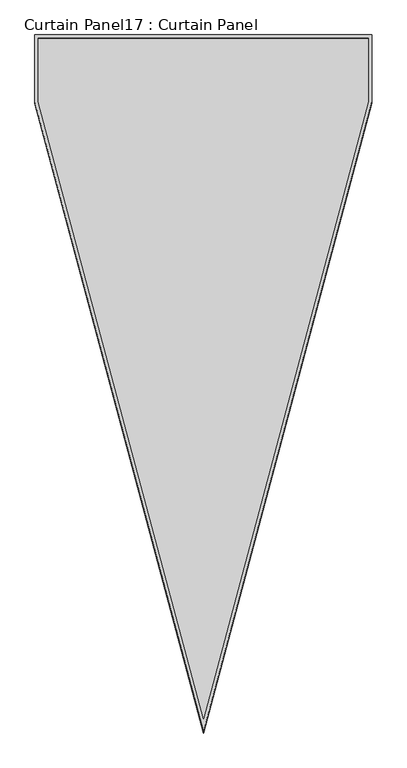
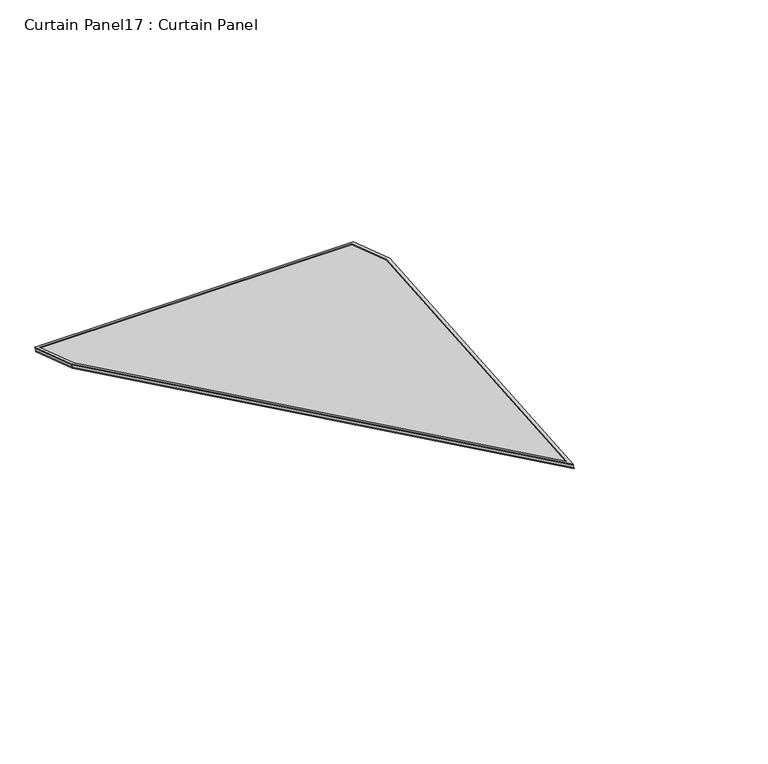
"""IFC4 building model written with IfcOpenShell, lengths in millimetres: plate geometry, Curtain Panel17 : Curtain Panel."""

import ifcopenshell
import ifcopenshell.guid

model = None  # the IFC model being written
_history = None  # IfcOwnerHistory: only IFC2X3 demands one
_inside = {}  # id of a spatial element -> (the spatial element, [elements in it])
_under = {}  # id of a project, library or spatial element -> (it, [spatial elements below it])
_declared = {}  # id of a project -> (the project, [libraries it declares])
_typed = {}  # id of a type object -> (the type object, [elements of that type])
_made_of = {}  # id of a material, layer set ... -> (it, [elements and type objects made of it])


def new_model(schema):
    """Start an empty IFC model of exactly this schema.

    Asked for "IFC4X3", IfcOpenShell would pick the latest addendum, in which some entities
    have other attributes; the version numbers below select the first issue.
    IFC2X3 requires an IfcOwnerHistory on every rooted entity: one is made here for all.
    """
    global model, _history
    if schema == "IFC4X3":
        model = ifcopenshell.file(schema_version=(4, 3, 0, 0))
    else:
        model = ifcopenshell.file(schema=schema)
    _inside.clear()
    _under.clear()
    _declared.clear()
    _typed.clear()
    _made_of.clear()
    _history = None
    if model.schema == "IFC2X3":
        org = make("IfcOrganization", Name="unknown")
        user = make(
            "IfcPersonAndOrganization",
            ThePerson=make("IfcPerson", FamilyName="unknown"),
            TheOrganization=org,
        )
        app = make(
            "IfcApplication",
            ApplicationDeveloper=org,
            Version="unknown",
            ApplicationFullName="unknown",
            ApplicationIdentifier="unknown",
        )
        _history = make(
            "IfcOwnerHistory",
            OwningUser=user,
            OwningApplication=app,
            ChangeAction="ADDED",
            CreationDate=0,
        )
    return model


def make(cls, **values):
    """One entity of the class cls with the attributes given. An attribute that is None is left unset."""
    return model.create_entity(
        cls, **{name: value for name, value in values.items() if value is not None}
    )


def rooted(cls, **values):
    """An entity with a GlobalId (a new one), such as an element, a storey or a relation."""
    return make(cls, GlobalId=ifcopenshell.guid.new(), OwnerHistory=_history, **values)


def si_unit(unit_type, name, prefix=None):
    """IfcSIUnit, for example si_unit("LENGTHUNIT", "METRE", prefix="MILLI")."""
    return make("IfcSIUnit", UnitType=unit_type, Prefix=prefix, Name=name)


def assignment(units):
    """IfcUnitAssignment: the units of a project."""
    return None if units is None else make("IfcUnitAssignment", Units=units)


def point(xyz):
    """IfcCartesianPoint."""
    return None if xyz is None else make("IfcCartesianPoint", Coordinates=xyz)


def direction(xyz):
    """IfcDirection."""
    return None if xyz is None else make("IfcDirection", DirectionRatios=xyz)


def frame(location, z_axis=None, x_axis=None):
    """IfcAxis2Placement3D, a coordinate frame: its origin and axes. An axis left out is left unset."""
    return make(
        "IfcAxis2Placement3D",
        Location=point(location),
        Axis=direction(z_axis),
        RefDirection=direction(x_axis),
    )


def origin():
    """The frame at (0, 0, 0) with its axes left unset."""
    return frame((0.0, 0.0, 0.0))


def place(relative_to, where):
    """IfcLocalPlacement: puts the frame where relative to a parent placement (None: the world)."""
    return make(
        "IfcLocalPlacement", PlacementRelTo=relative_to, RelativePlacement=where
    )


def context(
    kind, dimensions, precision=None, world=None, true_north=None, identifier=None
):
    """IfcGeometricRepresentationContext, for example the 3D "Model" context."""
    return make(
        "IfcGeometricRepresentationContext",
        ContextIdentifier=identifier,
        ContextType=kind,
        CoordinateSpaceDimension=dimensions,
        Precision=precision,
        WorldCoordinateSystem=world,
        TrueNorth=true_north,
    )


def project(units=None, contexts=None):
    """IfcProject with its units and contexts."""
    return rooted(
        "IfcProject",
        Name="project",
        RepresentationContexts=contexts,
        UnitsInContext=assignment(units),
    )


def spatial(cls, under=None, at=None, **own):
    """A site, building, storey or space (cls), placed at a placement, below another one or the project."""
    s = rooted(cls, ObjectPlacement=at, **own)
    if under is not None:
        _under.setdefault(under.id(), (under, []))[1].append(s)
    return s


def polyline(points):
    """IfcPolyline through the points."""
    return make("IfcPolyline", Points=[point(p) for p in points])


def outline(outer, holes=None, kind="AREA"):
    """IfcArbitraryClosedProfileDef: a profile drawn as a closed curve; with holes, ...WithVoids."""
    if holes is None:
        return make("IfcArbitraryClosedProfileDef", ProfileType=kind, OuterCurve=outer)
    return make(
        "IfcArbitraryProfileDefWithVoids",
        ProfileType=kind,
        OuterCurve=outer,
        InnerCurves=holes,
    )


def extrude(swept, where, along, depth):
    """IfcExtrudedAreaSolid: the profile swept, set in the frame where, extruded along a direction by depth."""
    return make(
        "IfcExtrudedAreaSolid",
        SweptArea=swept,
        Position=where,
        ExtrudedDirection=direction(along),
        Depth=depth,
    )


def shape(context_of_items, identifier, shape_type, items):
    """IfcShapeRepresentation: the items that make up one representation, for example the "Body"."""
    return make(
        "IfcShapeRepresentation",
        ContextOfItems=context_of_items,
        RepresentationIdentifier=identifier,
        RepresentationType=shape_type,
        Items=items,
    )


def source(mapping_origin, context_of_items, identifier, shape_type, items):
    """IfcRepresentationMap: a shape defined once, which mapped items show again and again."""
    return make(
        "IfcRepresentationMap",
        MappingOrigin=mapping_origin,
        MappedRepresentation=shape(context_of_items, identifier, shape_type, items),
    )


def transform(
    local_origin,
    x_axis=None,
    y_axis=None,
    z_axis=None,
    scale=None,
    scale2=None,
    scale3=None,
    uniform=True,
):
    """IfcCartesianTransformationOperator3D, or its non-uniform kind. x_axis, y_axis, z_axis: its Axis1, 2, 3."""
    if uniform:
        return make(
            "IfcCartesianTransformationOperator3D",
            Axis1=direction(x_axis),
            Axis2=direction(y_axis),
            LocalOrigin=point(local_origin),
            Scale=scale,
            Axis3=direction(z_axis),
        )
    return make(
        "IfcCartesianTransformationOperator3DnonUniform",
        Axis1=direction(x_axis),
        Axis2=direction(y_axis),
        LocalOrigin=point(local_origin),
        Scale=scale,
        Axis3=direction(z_axis),
        Scale2=scale2,
        Scale3=scale3,
    )


def mapped(mapping_source, mapping_target):
    """IfcMappedItem: shows the shape of a source again, moved by a transform."""
    return make(
        "IfcMappedItem", MappingSource=mapping_source, MappingTarget=mapping_target
    )


def made_of(thing, what):
    """Note that an element or type object is made of a material, layer set ...; save() writes the relation."""
    if what is not None:
        _made_of.setdefault(what.id(), (what, []))[1].append(thing)
    return thing


def element(
    cls,
    number,
    at=None,
    inside=None,
    cuts=None,
    type_object=None,
    material=None,
    context=None,
    identifier="Body",
    shape_type=None,
    held_by="IfcProductDefinitionShape",
    body=None,
    shapes=None,
    **own,
):
    """One element of the class cls, such as IfcWall. Its Tag is "e" and its number.

    at: its placement. inside: the storey or other place that contains it. cuts: it is an
    opening in that element (IfcRelVoidsElement). A single representation is given by context,
    identifier, shape_type and body (its items); several are given by shapes. held_by: the class
    of the entity that holds the representations. save() writes the other relations.
    """
    e = rooted(cls, Tag="e%d" % number, ObjectPlacement=at, **own)
    if body is not None:
        shapes = [shape(context, identifier, shape_type, body)]
    if shapes is not None:
        e.Representation = make(held_by, Representations=shapes)
    if inside is not None:
        _inside.setdefault(inside.id(), (inside, []))[1].append(e)
    if cuts is not None:
        rooted(
            "IfcRelVoidsElement", RelatingBuildingElement=cuts, RelatedOpeningElement=e
        )
    if type_object is not None:
        _typed.setdefault(type_object.id(), (type_object, []))[1].append(e)
    return made_of(e, material)


def aggregate(whole, parts):
    """IfcRelAggregates: a whole, such as a stair, and the parts it consists of."""
    return rooted("IfcRelAggregates", RelatingObject=whole, RelatedObjects=parts)


def save(model, path):
    """Write the relations noted so far, then the file.

    IfcRelAggregates (storeys below a building ...), IfcRelContainedInSpatialStructure (elements
    in a storey), IfcRelDefinesByType, IfcRelAssociatesMaterial and IfcRelDeclares: one each for
    every whole, place, type object, material and project.
    """
    for whole, parts in _under.values():
        aggregate(whole, parts)
    for where, things in _inside.values():
        rooted(
            "IfcRelContainedInSpatialStructure",
            RelatedElements=things,
            RelatingStructure=where,
        )
    for kind, things in _typed.values():
        rooted("IfcRelDefinesByType", RelatedObjects=things, RelatingType=kind)
    for what, things in _made_of.values():
        rooted("IfcRelAssociatesMaterial", RelatedObjects=things, RelatingMaterial=what)
    for by, libraries in _declared.values():
        rooted("IfcRelDeclares", RelatingContext=by, RelatedDefinitions=libraries)
    model.write(path)


def curtain_panel17_curtain_panel_26ebb478(model_context):
    return source(origin(), model_context, "Body", "SweptSolid", [
        extrude(outline(polyline([(847.4230413, -3689.0740434), (0.0, -355.4696562), (0.0, 0.0), (1694.8442516, 0.0), (1694.8442516, -355.4768585), (847.4230413, -3689.0740434)]), holes=[polyline([(1678.1814537, -16.662798), (16.6627979, -16.662798), (16.6627979, -353.3849148), (847.4230413, -3621.4409591), (1678.1814537, -353.3921171), (1678.1814537, -16.662798)])]), frame((11439.2298272, 4890.3579866, 1932.1072598), z_axis=(0.0, 0.31614582397380575, 0.948710608132914), x_axis=(1.0, 0.0, 0.0)), (0.0, 0.0, 1.0), 4.8759628),
        extrude(outline(polyline([(847.4230413, -3689.0740433), (0.0, -355.4696561), (0.0, 0.0), (1694.8442516, 0.0), (1694.8442516, -355.4768585), (847.4230413, -3689.0740433)]), holes=[polyline([(1684.4832706, -10.360981), (10.360981, -10.360981), (10.360981, -354.1733573), (847.4230413, -3647.0195753), (1684.4832706, -354.1805596), (1684.4832706, -10.360981)])]), frame((11439.2298272, 4884.7992601, 1915.4262779), z_axis=(0.0, 0.3161458239738058, 0.948710608132914), x_axis=(1.0, 0.0, 0.0)), (0.0, 0.0, 1.0), 4.7751335),
        extrude(outline(polyline([(12.7, 0.0), (1707.5442516, 0.0), (1707.5442516, -355.4768585), (860.1230413, -3689.0740434), (12.7, -355.4696561), (12.7, 0.0)])), frame((11426.5298272, 4886.3088986, 1919.9564977), z_axis=(0.0, 0.3161458239738058, 0.948710608132914), x_axis=(1.0, 0.0, 0.0)), (0.0, 0.0, 1.0), 12.8076591),
    ])


if __name__ == "__main__":
    model = new_model("IFC4")
    model_context = context("Model", 3, world=origin())
    ifc_project = project(units=[si_unit("LENGTHUNIT", "METRE", prefix="MILLI")], contexts=[model_context])
    site = spatial("IfcSite", under=ifc_project)
    building = spatial("IfcBuilding", under=site)
    placement = place(None, origin())
    curtain_panel17_curtain_panel_shape = curtain_panel17_curtain_panel_26ebb478(model_context)
    element("IfcPlate", 1, ObjectType="Curtain Panel17 : Curtain Panel", at=placement, inside=building, context=model_context, shape_type="MappedRepresentation", body=[
        mapped(curtain_panel17_curtain_panel_shape, transform((0.0, 0.0, 0.0), x_axis=(1.0, 0.0, 0.0), y_axis=(0.0, 1.0, 0.0), z_axis=(0.0, 0.0, 1.0))),
    ])
    save(model, "model.ifc")
